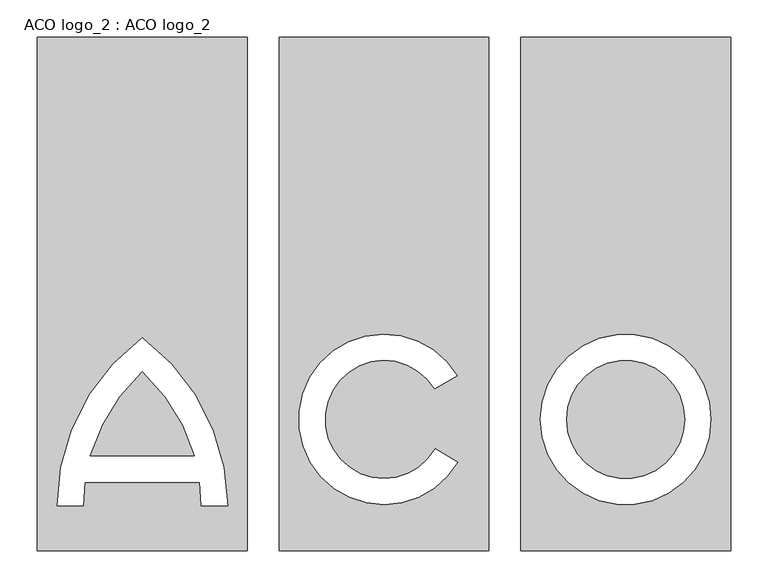
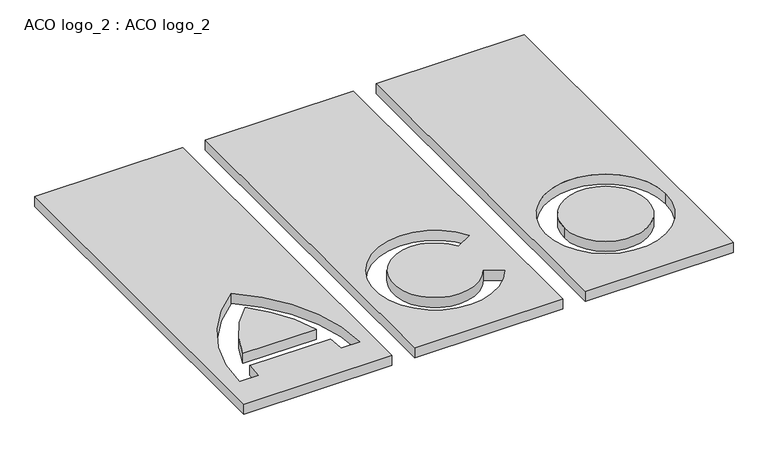
"""IFC4 building model written with IfcOpenShell, lengths in millimetres: proxy geometry, ACO logo_2 : ACO logo_2."""

from ifc_helpers import new_model, si_unit, point, frame_2d, origin, origin_with_axes, origin_2d, place, context, project, spatial, polyline, circle_curve, trimmed, segment, composite_curve, outline, extrude, source, transform, mapped, element, save


def aco_logo_2_aco_logo_2_fd4f08f5(model_context):
    return source(origin(), model_context, "Body", "SweptSolid", [
        extrude(outline(composite_curve([segment(trimmed(circle_curve(frame_2d((322.6916659, 0.0)), 78.8446383), [point((243.8470276, 0.0))], [point((401.5363043, 0.0))], False, "CARTESIAN"), True, "CONTINUOUS"), segment(trimmed(circle_curve(frame_2d((322.6916659, 0.0)), 78.8446383), [point((401.5363043, 0.0))], [point((243.8470276, 0.0))], False, "CARTESIAN"), True, "CONTINUOUS")], self_intersect=False)), origin_with_axes(), (0.0, 0.0, 1.0), 20.0),
        extrude(outline(composite_curve([segment(trimmed(circle_curve(frame_2d((-489.1421711, -116.655693)), 245.2949397), [point((-322.6918325, 63.5216981))], [point((-253.4274551, -48.7721153))], False, "CARTESIAN"), True, "CONTINUOUS"), segment(polyline([(-253.4274551, -48.7721153), (-391.9570627, -48.7721153)]), True, "CONTINUOUS"), segment(trimmed(circle_curve(frame_2d((-156.2447263, -116.6554892)), 245.2925967), [point((-391.9570627, -48.7721153))], [point((-322.6918325, 63.5216981))], False, "CARTESIAN"), True, "CONTINUOUS")], self_intersect=False)), origin_with_axes(), (0.0, 0.0, 1.0), 20.0),
        extrude(outline(polyline([(-182.6922589, -175.0), (-462.6922589, -175.0), (-462.6922589, 510.0), (-182.6922589, 510.0), (-182.6922589, -175.0)]), holes=[composite_curve([segment(trimmed(circle_curve(frame_2d((-489.1421711, -116.655693)), 245.2949397), [point((-246.0556797, -83.8141768))], [point((-243.8503465, -115.4194717))], False, "CARTESIAN"), True, "CONTINUOUS"), segment(polyline([(-243.8503465, -115.4194717), (-208.8078956, -115.4194717)]), True, "CONTINUOUS"), segment(trimmed(circle_curve(frame_2d((-489.1421711, -116.655693)), 280.3370012), [point((-208.8078956, -115.4194717))], [point((-322.691871, 108.917204))], True, "CARTESIAN"), True, "CONTINUOUS"), segment(trimmed(circle_curve(frame_2d((-156.2447263, -116.6554892)), 280.3349638), [point((-322.691871, 108.917204))], [point((-436.5769652, -115.4194717))], True, "CARTESIAN"), True, "CONTINUOUS"), segment(polyline([(-436.5769652, -115.4194717), (-401.533291, -115.4194717)]), True, "CONTINUOUS"), segment(trimmed(circle_curve(frame_2d((-156.2414664, -116.655693)), 245.2949397), [point((-401.533291, -115.4194717))], [point((-399.3279577, -83.8141768))], False, "CARTESIAN"), True, "CONTINUOUS"), segment(polyline([(-399.3279577, -83.8141768), (-246.0556797, -83.8141768)]), True, "CONTINUOUS")], self_intersect=False)]), origin_with_axes(), (0.0, 0.0, 1.0), 20.0),
        extrude(outline(polyline([(140.0, -175.0), (-140.0, -175.0), (-140.0, 510.0), (140.0, 510.0), (140.0, -175.0)]), holes=[composite_curve([segment(trimmed(circle_curve(origin_2d(), 78.8445365), [point((68.281376, -39.4222605))], [point((67.5433761, 40.6737418))], False, "CARTESIAN"), True, "CONTINUOUS"), segment(polyline([(67.5433761, 40.6737418), (97.8942123, 58.1969105)]), True, "CONTINUOUS"), segment(trimmed(circle_curve(origin_2d(), 113.8865979), [point((97.8942123, 58.1969105))], [point((98.6286808, -56.9433097))], True, "CARTESIAN"), True, "CONTINUOUS"), segment(polyline([(98.6286808, -56.9433097), (68.281376, -39.4222605)]), True, "CONTINUOUS")], self_intersect=False)]), origin_with_axes(), (0.0, 0.0, 1.0), 20.0),
        extrude(outline(polyline([(462.6916659, -175.0), (182.6916659, -175.0), (182.6916659, 510.0), (462.6916659, 510.0), (462.6916659, -175.0)]), holes=[composite_curve([segment(trimmed(circle_curve(frame_2d((322.6916659, 0.0)), 113.8866998), [point((208.8049661, 0.0))], [point((436.5783657, 0.0))], True, "CARTESIAN"), True, "CONTINUOUS"), segment(trimmed(circle_curve(frame_2d((322.6916659, 0.0)), 113.8866998), [point((436.5783657, 0.0))], [point((208.8049661, 0.0))], True, "CARTESIAN"), True, "CONTINUOUS")], self_intersect=False)]), origin_with_axes(), (0.0, 0.0, 1.0), 20.0),
    ])


if __name__ == "__main__":
    model = new_model("IFC4")
    model_context = context("Model", 3, world=origin())
    ifc_project = project(units=[si_unit("LENGTHUNIT", "METRE", prefix="MILLI")], contexts=[model_context])
    site = spatial("IfcSite", under=ifc_project)
    building = spatial("IfcBuilding", under=site)
    placement = place(None, origin())
    aco_logo_2_aco_logo_2_shape = aco_logo_2_aco_logo_2_fd4f08f5(model_context)
    element("IfcBuildingElementProxy", 1, Name="ACO logo_2 : ACO logo_2", ObjectType="ACO logo_2 : ACO logo_2", at=placement, inside=building, context=model_context, shape_type="MappedRepresentation", body=[
        mapped(aco_logo_2_aco_logo_2_shape, transform((0.0, 0.0, 0.0), x_axis=(1.0, 0.0, 0.0), y_axis=(0.0, 1.0, 0.0), z_axis=(0.0, 0.0, 1.0))),
    ])
    save(model, "model.ifc")
